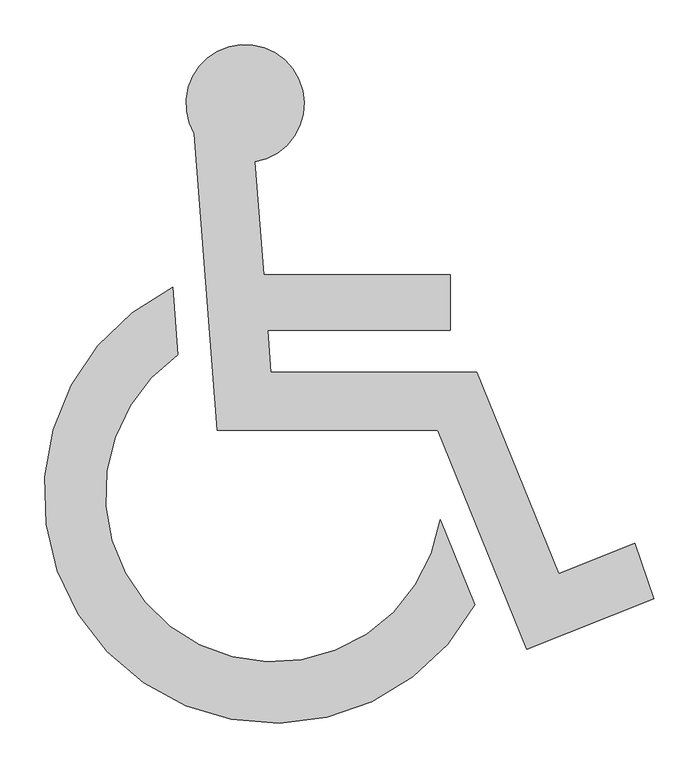
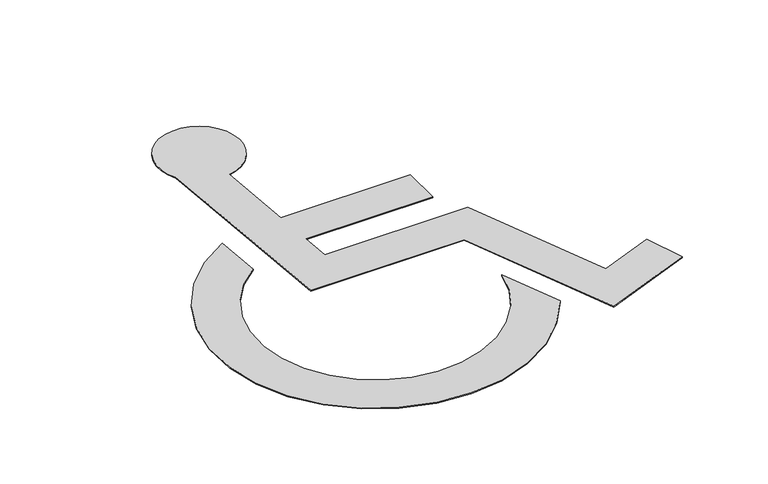
"""IFC4 building model written with IfcOpenShell, lengths in millimetres: geographic element geometry."""

from ifc_helpers import new_model, si_unit, point, frame_2d, origin, origin_with_axes, place, context, project, spatial, polyline, circle_curve, trimmed, segment, composite_curve, outline, extrude, source, transform, mapped, element, save


def geographic_element_0468f472(model_context):
    return source(origin(), model_context, "Body", "SweptSolid", [
        extrude(outline(composite_curve([segment(trimmed(circle_curve(frame_2d((5.6043949, 321.8663219)), 66.0449209), [point((-51.1975935, 288.1696503))], [point((16.5386145, 256.7328097))], False, "CARTESIAN"), True, "CONTINUOUS"), segment(polyline([(16.5386145, 256.7328097), (26.1998714, 129.9833751), (235.2428621, 129.9833751), (235.2428621, 68.2907282), (30.9022869, 68.2907282), (34.4970725, 21.1294685), (264.8390947, 21.1294685), (356.6547828, -204.669024), (441.9646244, -170.5597728), (463.1291965, -232.2631972), (320.7002448, -289.2102599), (220.9999699, -44.0215315), (-25.8768941, -44.0215315), (-51.1975935, 288.1696503)]), True, "CONTINUOUS")], self_intersect=False)), origin_with_axes(), (0.0, 0.0, 1.0), 1.5875),
        extrude(outline(composite_curve([segment(polyline([(-75.436866, 116.279405), (-69.652477, 40.3919672)]), True, "CONTINUOUS"), segment(trimmed(circle_curve(frame_2d((37.7222674, -114.7682027)), 188.6902596), [point((-69.652477, 40.3919672))], [point((224.0788255, -144.3527812))], True, "CARTESIAN"), True, "CONTINUOUS"), segment(polyline([(224.0788255, -144.3527812), (262.7534435, -239.4636565)]), True, "CONTINUOUS"), segment(trimmed(circle_curve(frame_2d((37.7222674, -114.7682027)), 257.2702596), [point((262.7534435, -239.4636565))], [point((-75.436866, 116.279405))], False, "CARTESIAN"), True, "CONTINUOUS")], self_intersect=False)), origin_with_axes(), (0.0, 0.0, 1.0), 1.5875),
    ])


if __name__ == "__main__":
    model = new_model("IFC4")
    model_context = context("Model", 3, world=origin())
    ifc_project = project(units=[si_unit("LENGTHUNIT", "METRE", prefix="MILLI")], contexts=[model_context])
    site = spatial("IfcSite", under=ifc_project)
    building = spatial("IfcBuilding", under=site)
    placement = place(None, origin())
    geographic_element_shape = geographic_element_0468f472(model_context)
    element("IfcGeographicElement", 1, at=placement, inside=building, context=model_context, shape_type="MappedRepresentation", body=[
        mapped(geographic_element_shape, transform((0.0, 0.0, 0.0), x_axis=(1.0, 0.0, 0.0), y_axis=(0.0, 1.0, 0.0), z_axis=(0.0, 0.0, 1.0))),
    ])
    save(model, "model.ifc")
